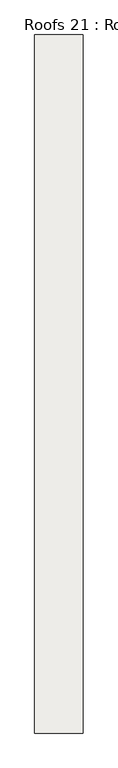
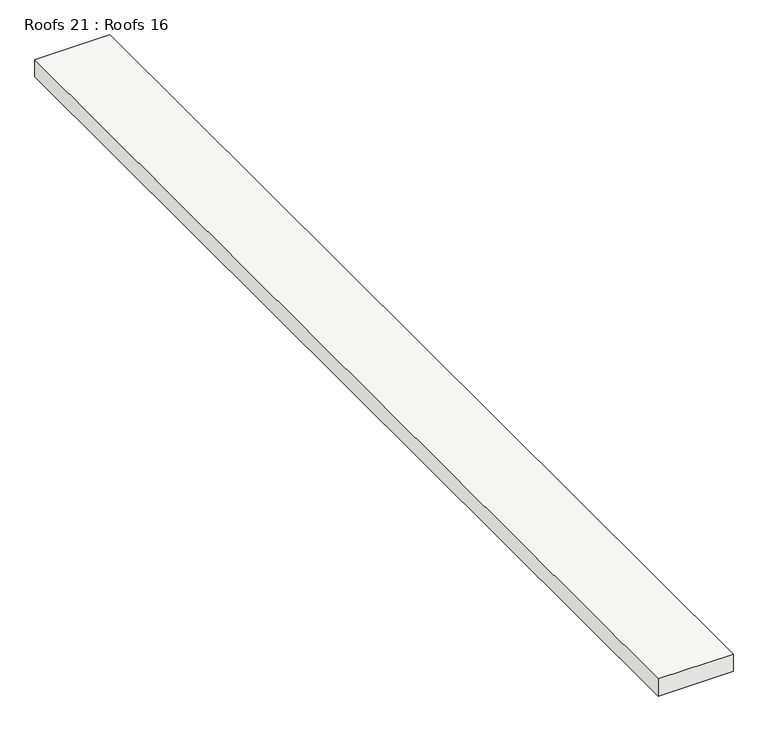
"""IFC4 building model written with IfcOpenShell, lengths in millimetres: roof geometry, Roofs 21 : Roofs 16."""

from ifc_helpers import new_model, si_unit, frame, origin, place, context, project, spatial, polyline, outline, extrude, source, transform, mapped, element, save


def roofs_21_roofs_16_13202b77(model_context):
    return source(origin(), model_context, "Body", "SweptSolid", [
        extrude(outline(polyline([(-25923.7103773, 20779.9328508), (-26342.8103773, 20779.9328508), (-26342.8103773, 26812.7698813), (-25923.7103773, 26812.7698813), (-25923.7103773, 20779.9328508)])), frame((0.0, 0.0, -1790.7), z_axis=(0.0, 0.0, 1.0), x_axis=(1.0, 0.0, 0.0)), (0.0, 0.0, 1.0), 101.6),
    ])


if __name__ == "__main__":
    model = new_model("IFC4")
    model_context = context("Model", 3, world=origin())
    ifc_project = project(units=[si_unit("LENGTHUNIT", "METRE", prefix="MILLI")], contexts=[model_context])
    site = spatial("IfcSite", under=ifc_project)
    building = spatial("IfcBuilding", under=site)
    placement = place(None, origin())
    roofs_21_roofs_16_shape = roofs_21_roofs_16_13202b77(model_context)
    element("IfcRoof", 1, ObjectType="Roofs 21 : Roofs 16", at=placement, inside=building, context=model_context, shape_type="MappedRepresentation", body=[
        mapped(roofs_21_roofs_16_shape, transform((0.0, 0.0, 0.0), x_axis=(1.0, 0.0, 0.0), y_axis=(0.0, 1.0, 0.0), z_axis=(0.0, 0.0, 1.0))),
    ])
    save(model, "model.ifc")
